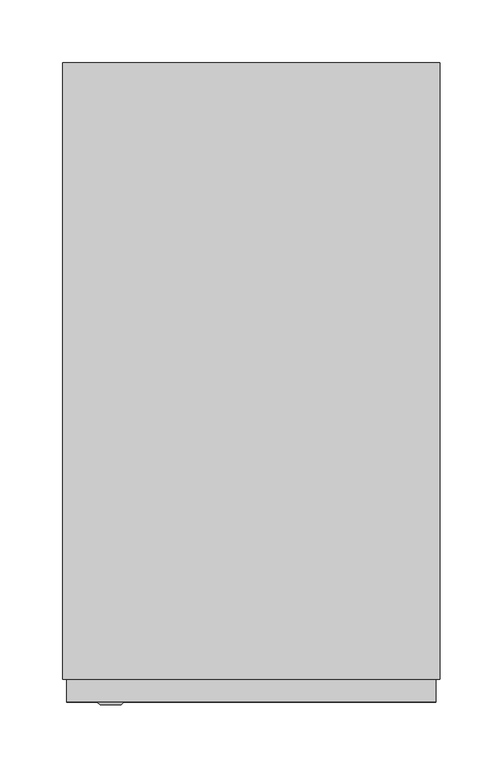
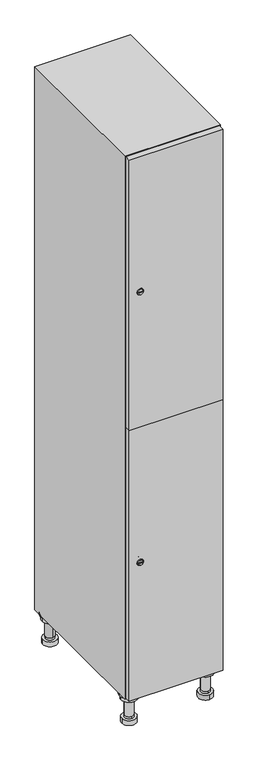
"""IFC4 building model written with IfcOpenShell, lengths in millimetres: furniture geometry."""

from ifc_helpers import new_model, si_unit, point, frame, frame_2d, origin, place, context, project, spatial, polyline, circle_curve, trimmed, segment, composite_curve, outline, extrude, faceted_brep, source, transform, mapped, element, save
from ifc_brep_helpers import plane_surface, cylinder_surface, revolved_surface, advanced_brep


def furniture_a0bca968(model_context):
    return source(origin(), model_context, "Body", "SolidModel", [
        advanced_brep(
        [(70.0, -201.0, 22.0), (70.0, -201.5, 16.0), (70.0, -228.5, 16.0), (70.0, -229.0, 22.0), (56.0, -215.0, 22.0), (84.0, -215.0, 22.0), (70.0, -192.5, 16.0), (70.0, -237.5, 16.0), (70.0, -192.5, 0.0), (70.0, -237.5, 0.0), (84.0, -215.0, 78.0), (56.0, -215.0, 78.0), (95.0, -215.0, 78.0), (45.0, -215.0, 78.0), (100.0, -215.0, 94.0), (40.0, -215.0, 94.0), (45.0, -215.0, 94.0), (95.0, -215.0, 94.0), (100.0, -215.0, 100.0), (40.0, -215.0, 100.0)],
        [
            (0, 1),
            (1, 2, circle_curve(frame((70.0, -215.0, 16.0), z_axis=(0.0, 0.0, 1.0), x_axis=(0.0, -1.0, 0.0)), 13.5)),
            (2, 3),
            (3, 4, circle_curve(frame((70.0, -215.0, 22.0), z_axis=(0.0, 0.0, -1.0), x_axis=(0.0, -1.0, 0.0)), 14.0)),
            (4, 0, circle_curve(frame((70.0, -215.0, 22.0), z_axis=(0.0, 0.0, -1.0), x_axis=(0.0, -1.0, 0.0)), 14.0)),
            (0, 5, circle_curve(frame((70.0, -215.0, 22.0), z_axis=(0.0, 0.0, -1.0), x_axis=(0.0, 1.0, 0.0)), 14.0)),
            (5, 3, circle_curve(frame((70.0, -215.0, 22.0), z_axis=(0.0, 0.0, -1.0), x_axis=(0.0, 1.0, 0.0)), 14.0)),
            (2, 1, circle_curve(frame((70.0, -215.0, 16.0), z_axis=(0.0, 0.0, 1.0), x_axis=(0.0, 1.0, 0.0)), 13.5)),
            (6, 7, circle_curve(frame((70.0, -215.0, 16.0), z_axis=(0.0, 0.0, 1.0), x_axis=(0.0, -1.0, 0.0)), 22.5)),
            (7, 6, circle_curve(frame((70.0, -215.0, 16.0), z_axis=(0.0, 0.0, 1.0), x_axis=(0.0, -1.0, 0.0)), 22.5)),
            (8, 9, circle_curve(frame((70.0, -215.0, 0.0), z_axis=(0.0, 0.0, -1.0), x_axis=(0.0, -1.0, 0.0)), 22.5)),
            (9, 8, circle_curve(frame((70.0, -215.0, 0.0), z_axis=(0.0, 0.0, -1.0), x_axis=(0.0, -1.0, 0.0)), 22.5)),
            (6, 8),
            (9, 7),
            (5, 10),
            (10, 11, circle_curve(frame((70.0, -215.0, 78.0), z_axis=(0.0, 0.0, -1.0), x_axis=(-1.0, 0.0, 0.0)), 14.0)),
            (11, 4),
            (11, 10, circle_curve(frame((70.0, -215.0, 78.0), z_axis=(0.0, 0.0, -1.0), x_axis=(-1.0, 0.0, 0.0)), 14.0)),
            (12, 13, circle_curve(frame((70.0, -215.0, 78.0), z_axis=(0.0, 0.0, -1.0), x_axis=(-1.0, 0.0, 0.0)), 25.0)),
            (13, 12, circle_curve(frame((70.0, -215.0, 78.0), z_axis=(0.0, 0.0, -1.0), x_axis=(-1.0, 0.0, 0.0)), 25.0)),
            (14, 15, circle_curve(frame((70.0, -215.0, 94.0), z_axis=(0.0, 0.0, -1.0), x_axis=(-1.0, 0.0, 0.0)), 30.0)),
            (15, 14, circle_curve(frame((70.0, -215.0, 94.0), z_axis=(0.0, 0.0, -1.0), x_axis=(-1.0, 0.0, 0.0)), 30.0)),
            (16, 17, circle_curve(frame((70.0, -215.0, 94.0), z_axis=(0.0, 0.0, 1.0), x_axis=(-1.0, 0.0, 0.0)), 25.0)),
            (17, 16, circle_curve(frame((70.0, -215.0, 94.0), z_axis=(0.0, 0.0, 1.0), x_axis=(-1.0, 0.0, 0.0)), 25.0)),
            (18, 19, circle_curve(frame((70.0, -215.0, 100.0), z_axis=(0.0, 0.0, 1.0), x_axis=(-1.0, 0.0, 0.0)), 30.0)),
            (19, 18, circle_curve(frame((70.0, -215.0, 100.0), z_axis=(0.0, 0.0, 1.0), x_axis=(-1.0, 0.0, 0.0)), 30.0)),
            (14, 18),
            (19, 15),
            (12, 17),
            (16, 13),
        ],
        [
            revolved_surface(polyline([(70.0, -201.5, 16.0), (70.0, -201.0, 22.0)]), (70.0, -215.0, -146.0), (0.0, 0.0, 1.0)),
            plane_surface(frame((70.0, 0.0, 16.0), z_axis=(0.0, 0.0, 1.0), x_axis=(0.0, -1.0, 0.0))),
            plane_surface(frame((70.0, 0.0, 0.0), z_axis=(0.0, 0.0, -1.0), x_axis=(0.0, -1.0, 0.0))),
            cylinder_surface(frame((70.0, -215.0, 16.0), z_axis=(0.0, 0.0, 1.0), x_axis=(0.0, -1.0, 0.0)), 22.5),
            cylinder_surface(frame((70.0, -215.0, 22.0), z_axis=(0.0, 0.0, -1.0), x_axis=(-1.0, 0.0, 0.0)), 14.0),
            plane_surface(frame((70.0, 0.0, 78.0), z_axis=(0.0, 0.0, -1.0), x_axis=(0.0, -1.0, 0.0))),
            plane_surface(frame((70.0, 0.0, 94.0), z_axis=(0.0, 0.0, -1.0), x_axis=(0.0, -1.0, 0.0))),
            plane_surface(frame((70.0, 0.0, 100.0), z_axis=(0.0, 0.0, 1.0), x_axis=(0.0, -1.0, 0.0))),
            cylinder_surface(frame((70.0, -215.0, 94.0), z_axis=(0.0, 0.0, -1.0), x_axis=(-1.0, 0.0, 0.0)), 30.0),
            cylinder_surface(frame((70.0, -215.0, 78.0), z_axis=(0.0, 0.0, -1.0), x_axis=(-1.0, 0.0, 0.0)), 25.0),
        ],
        [
            (0, [[1, 2, 3, 4, 5]]),
            (0, [[-1, 6, 7, -3, 8]]),
            (1, [[9, 10], [-2, -8]]),
            (2, [[11, 12]]),
            (3, [[-9, 13, -12, 14]]),
            (3, [[-10, -14, -11, -13]]),
            (4, [[15, 16, 17, -4, -7]]),
            (4, [[-15, -6, -5, -17, 18]]),
            (5, [[19, 20], [-16, -18]]),
            (6, [[21, 22], [23, 24]]),
            (7, [[25, 26]]),
            (8, [[-21, 27, -26, 28]]),
            (8, [[-22, -28, -25, -27]]),
            (9, [[-19, 29, -23, 30]]),
            (9, [[-20, -30, -24, -29]]),
        ],
    ),
        advanced_brep(
        [(-170.0, -201.0, 22.0), (-170.0, -201.5, 16.0), (-170.0, -228.5, 16.0), (-170.0, -229.0, 22.0), (-184.0, -215.0, 22.0), (-156.0, -215.0, 22.0), (-147.5, -215.0, 0.0), (-192.5, -215.0, 0.0), (-147.5, -215.0, 16.0), (-192.5, -215.0, 16.0), (-156.0, -215.0, 78.0), (-184.0, -215.0, 78.0), (-145.0, -215.0, 78.0), (-195.0, -215.0, 78.0), (-140.0, -215.0, 94.0), (-200.0, -215.0, 94.0), (-195.0, -215.0, 94.0), (-145.0, -215.0, 94.0), (-140.0, -215.0, 100.0), (-200.0, -215.0, 100.0)],
        [
            (0, 1),
            (1, 2, circle_curve(frame((-170.0, -215.0, 16.0), z_axis=(0.0, 0.0, 1.0), x_axis=(0.0, -1.0, 0.0)), 13.5)),
            (2, 3),
            (3, 4, circle_curve(frame((-170.0, -215.0, 22.0), z_axis=(0.0, 0.0, -1.0), x_axis=(0.0, -1.0, 0.0)), 14.0)),
            (4, 0, circle_curve(frame((-170.0, -215.0, 22.0), z_axis=(0.0, 0.0, -1.0), x_axis=(0.0, -1.0, 0.0)), 14.0)),
            (0, 5, circle_curve(frame((-170.0, -215.0, 22.0), z_axis=(0.0, 0.0, -1.0), x_axis=(0.0, 1.0, 0.0)), 14.0)),
            (5, 3, circle_curve(frame((-170.0, -215.0, 22.0), z_axis=(0.0, 0.0, -1.0), x_axis=(0.0, 1.0, 0.0)), 14.0)),
            (2, 1, circle_curve(frame((-170.0, -215.0, 16.0), z_axis=(0.0, 0.0, 1.0), x_axis=(0.0, 1.0, 0.0)), 13.5)),
            (6, 7, circle_curve(frame((-170.0, -215.0, 0.0), z_axis=(0.0, 0.0, -1.0), x_axis=(-1.0, 0.0, 0.0)), 22.5)),
            (7, 6, circle_curve(frame((-170.0, -215.0, 0.0), z_axis=(0.0, 0.0, -1.0), x_axis=(-1.0, 0.0, 0.0)), 22.5)),
            (8, 9, circle_curve(frame((-170.0, -215.0, 16.0), z_axis=(0.0, 0.0, 1.0), x_axis=(-1.0, 0.0, 0.0)), 22.5)),
            (9, 8, circle_curve(frame((-170.0, -215.0, 16.0), z_axis=(0.0, 0.0, 1.0), x_axis=(-1.0, 0.0, 0.0)), 22.5)),
            (6, 8),
            (9, 7),
            (5, 10),
            (10, 11, circle_curve(frame((-170.0, -215.0, 78.0), z_axis=(0.0, 0.0, -1.0), x_axis=(-1.0, 0.0, 0.0)), 14.0)),
            (11, 4),
            (11, 10, circle_curve(frame((-170.0, -215.0, 78.0), z_axis=(0.0, 0.0, -1.0), x_axis=(-1.0, 0.0, 0.0)), 14.0)),
            (12, 13, circle_curve(frame((-170.0, -215.0, 78.0), z_axis=(0.0, 0.0, -1.0), x_axis=(-1.0, 0.0, 0.0)), 25.0)),
            (13, 12, circle_curve(frame((-170.0, -215.0, 78.0), z_axis=(0.0, 0.0, -1.0), x_axis=(-1.0, 0.0, 0.0)), 25.0)),
            (14, 15, circle_curve(frame((-170.0, -215.0, 94.0), z_axis=(0.0, 0.0, -1.0), x_axis=(-1.0, 0.0, 0.0)), 30.0)),
            (15, 14, circle_curve(frame((-170.0, -215.0, 94.0), z_axis=(0.0, 0.0, -1.0), x_axis=(-1.0, 0.0, 0.0)), 30.0)),
            (16, 17, circle_curve(frame((-170.0, -215.0, 94.0), z_axis=(0.0, 0.0, 1.0), x_axis=(-1.0, 0.0, 0.0)), 25.0)),
            (17, 16, circle_curve(frame((-170.0, -215.0, 94.0), z_axis=(0.0, 0.0, 1.0), x_axis=(-1.0, 0.0, 0.0)), 25.0)),
            (18, 19, circle_curve(frame((-170.0, -215.0, 100.0), z_axis=(0.0, 0.0, 1.0), x_axis=(-1.0, 0.0, 0.0)), 30.0)),
            (19, 18, circle_curve(frame((-170.0, -215.0, 100.0), z_axis=(0.0, 0.0, 1.0), x_axis=(-1.0, 0.0, 0.0)), 30.0)),
            (14, 18),
            (19, 15),
            (12, 17),
            (16, 13),
        ],
        [
            revolved_surface(polyline([(-170.0, -201.5, 16.0), (-170.0, -201.0, 22.0)]), (-170.0, -215.0, -146.0), (0.0, 0.0, 1.0)),
            plane_surface(frame((-170.0, 0.0, 0.0), z_axis=(0.0, 0.0, -1.0), x_axis=(0.0, -1.0, 0.0))),
            plane_surface(frame((-170.0, 0.0, 16.0), z_axis=(0.0, 0.0, 1.0), x_axis=(0.0, -1.0, 0.0))),
            cylinder_surface(frame((-170.0, -215.0, 0.0), z_axis=(0.0, 0.0, -1.0), x_axis=(-1.0, 0.0, 0.0)), 22.5),
            cylinder_surface(frame((-170.0, -215.0, 22.0), z_axis=(0.0, 0.0, -1.0), x_axis=(-1.0, 0.0, 0.0)), 14.0),
            plane_surface(frame((-170.0, 0.0, 78.0), z_axis=(0.0, 0.0, -1.0), x_axis=(0.0, -1.0, 0.0))),
            plane_surface(frame((-170.0, 0.0, 94.0), z_axis=(0.0, 0.0, -1.0), x_axis=(0.0, -1.0, 0.0))),
            plane_surface(frame((-170.0, 0.0, 100.0), z_axis=(0.0, 0.0, 1.0), x_axis=(0.0, -1.0, 0.0))),
            cylinder_surface(frame((-170.0, -215.0, 94.0), z_axis=(0.0, 0.0, -1.0), x_axis=(-1.0, 0.0, 0.0)), 30.0),
            cylinder_surface(frame((-170.0, -215.0, 78.0), z_axis=(0.0, 0.0, -1.0), x_axis=(-1.0, 0.0, 0.0)), 25.0),
        ],
        [
            (0, [[1, 2, 3, 4, 5]]),
            (0, [[-1, 6, 7, -3, 8]]),
            (1, [[9, 10]]),
            (2, [[11, 12], [-2, -8]]),
            (3, [[-9, 13, -12, 14]]),
            (3, [[-10, -14, -11, -13]]),
            (4, [[15, 16, 17, -4, -7]]),
            (4, [[-15, -6, -5, -17, 18]]),
            (5, [[19, 20], [-16, -18]]),
            (6, [[21, 22], [23, 24]]),
            (7, [[25, 26]]),
            (8, [[-21, 27, -26, 28]]),
            (8, [[-22, -28, -25, -27]]),
            (9, [[-19, 29, -23, 30]]),
            (9, [[-20, -30, -24, -29]]),
        ],
    ),
        advanced_brep(
        [(83.5, 215.0, 16.0), (84.0, 215.0, 22.0), (56.0, 215.0, 22.0), (56.5, 215.0, 16.0), (92.5, 215.0, 0.0), (47.5, 215.0, 0.0), (92.5, 215.0, 16.0), (47.5, 215.0, 16.0), (84.0, 215.0, 78.0), (56.0, 215.0, 78.0), (95.0, 215.0, 78.0), (45.0, 215.0, 78.0), (100.0, 215.0, 94.0), (40.0, 215.0, 94.0), (45.0, 215.0, 94.0), (95.0, 215.0, 94.0), (100.0, 215.0, 100.0), (40.0, 215.0, 100.0)],
        [
            (0, 1),
            (1, 2, circle_curve(frame((70.0, 215.0, 22.0), z_axis=(0.0, 0.0, -1.0), x_axis=(-1.0, 0.0, 0.0)), 14.0)),
            (2, 3),
            (3, 0, circle_curve(frame((70.0, 215.0, 16.0), z_axis=(0.0, 0.0, 1.0), x_axis=(-1.0, 0.0, 0.0)), 13.5)),
            (0, 3, circle_curve(frame((70.0, 215.0, 16.0), z_axis=(0.0, 0.0, 1.0), x_axis=(1.0, 0.0, 0.0)), 13.5)),
            (2, 1, circle_curve(frame((70.0, 215.0, 22.0), z_axis=(0.0, 0.0, -1.0), x_axis=(1.0, 0.0, 0.0)), 14.0)),
            (4, 5, circle_curve(frame((70.0, 215.0, 0.0), z_axis=(0.0, 0.0, -1.0), x_axis=(-1.0, 0.0, 0.0)), 22.5)),
            (5, 4, circle_curve(frame((70.0, 215.0, 0.0), z_axis=(0.0, 0.0, -1.0), x_axis=(-1.0, 0.0, 0.0)), 22.5)),
            (6, 7, circle_curve(frame((70.0, 215.0, 16.0), z_axis=(0.0, 0.0, 1.0), x_axis=(-1.0, 0.0, 0.0)), 22.5)),
            (7, 6, circle_curve(frame((70.0, 215.0, 16.0), z_axis=(0.0, 0.0, 1.0), x_axis=(-1.0, 0.0, 0.0)), 22.5)),
            (4, 6),
            (7, 5),
            (1, 8),
            (8, 9, circle_curve(frame((70.0, 215.0, 78.0), z_axis=(0.0, 0.0, -1.0), x_axis=(-1.0, 0.0, 0.0)), 14.0)),
            (9, 2),
            (9, 8, circle_curve(frame((70.0, 215.0, 78.0), z_axis=(0.0, 0.0, -1.0), x_axis=(-1.0, 0.0, 0.0)), 14.0)),
            (10, 11, circle_curve(frame((70.0, 215.0, 78.0), z_axis=(0.0, 0.0, -1.0), x_axis=(-1.0, 0.0, 0.0)), 25.0)),
            (11, 10, circle_curve(frame((70.0, 215.0, 78.0), z_axis=(0.0, 0.0, -1.0), x_axis=(-1.0, 0.0, 0.0)), 25.0)),
            (12, 13, circle_curve(frame((70.0, 215.0, 94.0), z_axis=(0.0, 0.0, -1.0), x_axis=(-1.0, 0.0, 0.0)), 30.0)),
            (13, 12, circle_curve(frame((70.0, 215.0, 94.0), z_axis=(0.0, 0.0, -1.0), x_axis=(-1.0, 0.0, 0.0)), 30.0)),
            (14, 15, circle_curve(frame((70.0, 215.0, 94.0), z_axis=(0.0, 0.0, 1.0), x_axis=(-1.0, 0.0, 0.0)), 25.0)),
            (15, 14, circle_curve(frame((70.0, 215.0, 94.0), z_axis=(0.0, 0.0, 1.0), x_axis=(-1.0, 0.0, 0.0)), 25.0)),
            (16, 17, circle_curve(frame((70.0, 215.0, 100.0), z_axis=(0.0, 0.0, 1.0), x_axis=(-1.0, 0.0, 0.0)), 30.0)),
            (17, 16, circle_curve(frame((70.0, 215.0, 100.0), z_axis=(0.0, 0.0, 1.0), x_axis=(-1.0, 0.0, 0.0)), 30.0)),
            (12, 16),
            (17, 13),
            (10, 15),
            (14, 11),
        ],
        [
            revolved_surface(polyline([(83.5, 215.0, 16.0), (84.0, 215.0, 22.0)]), (70.0, 215.0, -146.0), (0.0, 0.0, 1.0)),
            plane_surface(frame((70.0, 0.0, 0.0), z_axis=(0.0, 0.0, -1.0), x_axis=(0.0, -1.0, 0.0))),
            plane_surface(frame((70.0, 0.0, 16.0), z_axis=(0.0, 0.0, 1.0), x_axis=(0.0, -1.0, 0.0))),
            cylinder_surface(frame((70.0, 215.0, 0.0), z_axis=(0.0, 0.0, -1.0), x_axis=(-1.0, 0.0, 0.0)), 22.5),
            cylinder_surface(frame((70.0, 215.0, 22.0), z_axis=(0.0, 0.0, -1.0), x_axis=(-1.0, 0.0, 0.0)), 14.0),
            plane_surface(frame((70.0, 0.0, 78.0), z_axis=(0.0, 0.0, -1.0), x_axis=(0.0, -1.0, 0.0))),
            plane_surface(frame((70.0, 0.0, 94.0), z_axis=(0.0, 0.0, -1.0), x_axis=(0.0, -1.0, 0.0))),
            plane_surface(frame((70.0, 0.0, 100.0), z_axis=(0.0, 0.0, 1.0), x_axis=(0.0, -1.0, 0.0))),
            cylinder_surface(frame((70.0, 215.0, 94.0), z_axis=(0.0, 0.0, -1.0), x_axis=(-1.0, 0.0, 0.0)), 30.0),
            cylinder_surface(frame((70.0, 215.0, 78.0), z_axis=(0.0, 0.0, -1.0), x_axis=(-1.0, 0.0, 0.0)), 25.0),
        ],
        [
            (0, [[1, 2, 3, 4]]),
            (0, [[-1, 5, -3, 6]]),
            (1, [[7, 8]]),
            (2, [[9, 10], [-4, -5]]),
            (3, [[-7, 11, -10, 12]]),
            (3, [[-8, -12, -9, -11]]),
            (4, [[13, 14, 15, -2]]),
            (4, [[-13, -6, -15, 16]]),
            (5, [[17, 18], [-14, -16]]),
            (6, [[19, 20], [21, 22]]),
            (7, [[23, 24]]),
            (8, [[-19, 25, -24, 26]]),
            (8, [[-20, -26, -23, -25]]),
            (9, [[-17, 27, -21, 28]]),
            (9, [[-18, -28, -22, -27]]),
        ],
    ),
        advanced_brep(
        [(-156.5, 215.0, 16.0), (-156.0, 215.0, 22.0), (-170.0, 201.0, 22.0), (-184.0, 215.0, 22.0), (-183.5, 215.0, 16.0), (-170.0, 229.0, 22.0), (-147.5, 215.0, 0.0), (-192.5, 215.0, 0.0), (-147.5, 215.0, 16.0), (-192.5, 215.0, 16.0), (-170.0, 229.0, 78.0), (-170.0, 201.0, 78.0), (-145.0, 215.0, 78.0), (-195.0, 215.0, 78.0), (-140.0, 215.0, 94.0), (-200.0, 215.0, 94.0), (-195.0, 215.0, 94.0), (-145.0, 215.0, 94.0), (-140.0, 215.0, 100.0), (-200.0, 215.0, 100.0)],
        [
            (0, 1),
            (1, 2, circle_curve(frame((-170.0, 215.0, 22.0), z_axis=(0.0, 0.0, -1.0), x_axis=(-1.0, 0.0, 0.0)), 14.0)),
            (2, 3, circle_curve(frame((-170.0, 215.0, 22.0), z_axis=(0.0, 0.0, -1.0), x_axis=(-1.0, 0.0, 0.0)), 14.0)),
            (3, 4),
            (4, 0, circle_curve(frame((-170.0, 215.0, 16.0), z_axis=(0.0, 0.0, 1.0), x_axis=(-1.0, 0.0, 0.0)), 13.5)),
            (0, 4, circle_curve(frame((-170.0, 215.0, 16.0), z_axis=(0.0, 0.0, 1.0), x_axis=(1.0, 0.0, 0.0)), 13.5)),
            (3, 5, circle_curve(frame((-170.0, 215.0, 22.0), z_axis=(0.0, 0.0, -1.0), x_axis=(1.0, 0.0, 0.0)), 14.0)),
            (5, 1, circle_curve(frame((-170.0, 215.0, 22.0), z_axis=(0.0, 0.0, -1.0), x_axis=(1.0, 0.0, 0.0)), 14.0)),
            (6, 7, circle_curve(frame((-170.0, 215.0, 0.0), z_axis=(0.0, 0.0, -1.0), x_axis=(-1.0, 0.0, 0.0)), 22.5)),
            (7, 6, circle_curve(frame((-170.0, 215.0, 0.0), z_axis=(0.0, 0.0, -1.0), x_axis=(-1.0, 0.0, 0.0)), 22.5)),
            (8, 9, circle_curve(frame((-170.0, 215.0, 16.0), z_axis=(0.0, 0.0, 1.0), x_axis=(-1.0, 0.0, 0.0)), 22.5)),
            (9, 8, circle_curve(frame((-170.0, 215.0, 16.0), z_axis=(0.0, 0.0, 1.0), x_axis=(-1.0, 0.0, 0.0)), 22.5)),
            (6, 8),
            (9, 7),
            (10, 5),
            (2, 11),
            (11, 10, circle_curve(frame((-170.0, 215.0, 78.0), z_axis=(0.0, 0.0, -1.0), x_axis=(0.0, -1.0, 0.0)), 14.0)),
            (10, 11, circle_curve(frame((-170.0, 215.0, 78.0), z_axis=(0.0, 0.0, -1.0), x_axis=(0.0, -1.0, 0.0)), 14.0)),
            (12, 13, circle_curve(frame((-170.0, 215.0, 78.0), z_axis=(0.0, 0.0, -1.0), x_axis=(-1.0, 0.0, 0.0)), 25.0)),
            (13, 12, circle_curve(frame((-170.0, 215.0, 78.0), z_axis=(0.0, 0.0, -1.0), x_axis=(-1.0, 0.0, 0.0)), 25.0)),
            (14, 15, circle_curve(frame((-170.0, 215.0, 94.0), z_axis=(0.0, 0.0, -1.0), x_axis=(-1.0, 0.0, 0.0)), 30.0)),
            (15, 14, circle_curve(frame((-170.0, 215.0, 94.0), z_axis=(0.0, 0.0, -1.0), x_axis=(-1.0, 0.0, 0.0)), 30.0)),
            (16, 17, circle_curve(frame((-170.0, 215.0, 94.0), z_axis=(0.0, 0.0, 1.0), x_axis=(-1.0, 0.0, 0.0)), 25.0)),
            (17, 16, circle_curve(frame((-170.0, 215.0, 94.0), z_axis=(0.0, 0.0, 1.0), x_axis=(-1.0, 0.0, 0.0)), 25.0)),
            (18, 19, circle_curve(frame((-170.0, 215.0, 100.0), z_axis=(0.0, 0.0, 1.0), x_axis=(-1.0, 0.0, 0.0)), 30.0)),
            (19, 18, circle_curve(frame((-170.0, 215.0, 100.0), z_axis=(0.0, 0.0, 1.0), x_axis=(-1.0, 0.0, 0.0)), 30.0)),
            (14, 18),
            (19, 15),
            (12, 17),
            (16, 13),
        ],
        [
            revolved_surface(polyline([(-156.5, 215.0, 16.0), (-156.0, 215.0, 22.0)]), (-170.0, 215.0, -146.0), (0.0, 0.0, 1.0)),
            plane_surface(frame((-170.0, 0.0, 0.0), z_axis=(0.0, 0.0, -1.0), x_axis=(0.0, -1.0, 0.0))),
            plane_surface(frame((-170.0, 0.0, 16.0), z_axis=(0.0, 0.0, 1.0), x_axis=(0.0, -1.0, 0.0))),
            cylinder_surface(frame((-170.0, 215.0, 0.0), z_axis=(0.0, 0.0, -1.0), x_axis=(-1.0, 0.0, 0.0)), 22.5),
            cylinder_surface(frame((-170.0, 215.0, 78.0), z_axis=(0.0, 0.0, 1.0), x_axis=(0.0, -1.0, 0.0)), 14.0),
            plane_surface(frame((-170.0, 0.0, 78.0), z_axis=(0.0, 0.0, -1.0), x_axis=(0.0, -1.0, 0.0))),
            plane_surface(frame((-170.0, 0.0, 94.0), z_axis=(0.0, 0.0, -1.0), x_axis=(0.0, -1.0, 0.0))),
            plane_surface(frame((-170.0, 0.0, 100.0), z_axis=(0.0, 0.0, 1.0), x_axis=(0.0, -1.0, 0.0))),
            cylinder_surface(frame((-170.0, 215.0, 94.0), z_axis=(0.0, 0.0, -1.0), x_axis=(-1.0, 0.0, 0.0)), 30.0),
            cylinder_surface(frame((-170.0, 215.0, 78.0), z_axis=(0.0, 0.0, -1.0), x_axis=(-1.0, 0.0, 0.0)), 25.0),
        ],
        [
            (0, [[1, 2, 3, 4, 5]]),
            (0, [[-1, 6, -4, 7, 8]]),
            (1, [[9, 10]]),
            (2, [[11, 12], [-5, -6]]),
            (3, [[-9, 13, -12, 14]]),
            (3, [[-10, -14, -11, -13]]),
            (4, [[15, -7, -3, 16, 17]]),
            (4, [[-15, 18, -16, -2, -8]]),
            (5, [[19, 20], [-17, -18]]),
            (6, [[21, 22], [23, 24]]),
            (7, [[25, 26]]),
            (8, [[-21, 27, -26, 28]]),
            (8, [[-22, -28, -25, -27]]),
            (9, [[-19, 29, -23, 30]]),
            (9, [[-20, -30, -24, -29]]),
        ],
    ),
        extrude(outline(composite_curve([segment(trimmed(circle_curve(frame_2d((551.5, -188.7989466)), 7.0), [point((558.5, -188.7989466))], [point((544.5, -188.7989466))], False, "CARTESIAN"), True, "CONTINUOUS"), segment(polyline([(544.5, -188.7989466), (544.5, -160.7989466)]), True, "CONTINUOUS"), segment(trimmed(circle_curve(frame_2d((551.5, -160.7989466)), 7.0), [point((544.5, -160.7989466))], [point((558.5, -160.7989466))], False, "CARTESIAN"), True, "CONTINUOUS"), segment(polyline([(558.5, -160.7989466), (558.5, -188.7989466)]), True, "CONTINUOUS")], self_intersect=False)), frame((0.0, -245.0, 0.0), z_axis=(0.0, 1.0, 0.0), x_axis=(0.0, 0.0, 1.0)), (0.0, 0.0, 1.0), 2.0),
        advanced_brep(
        [(-153.5, -265.2, 551.5), (-170.5, -265.2, 551.5), (-167.0, -265.2, 550.25), (-167.0, -265.2, 552.75), (-157.0, -265.2, 552.75), (-157.0, -265.2, 550.25), (-151.5, -263.0, 551.5), (-172.5, -263.0, 551.5), (-167.0, -263.0, 552.75), (-167.0, -263.0, 550.25), (-157.0, -263.0, 550.25), (-157.0, -263.0, 552.75)],
        [
            (0, 1, circle_curve(frame((-162.0, -265.2, 551.5), z_axis=(0.0, -1.0, 0.0), x_axis=(1.0, 0.0, 0.0)), 8.5)),
            (1, 0, circle_curve(frame((-162.0, -265.2, 551.5), z_axis=(0.0, -1.0, 0.0), x_axis=(-1.0, 0.0, 0.0)), 8.5)),
            (2, 3),
            (3, 4),
            (4, 5),
            (5, 2),
            (6, 7, circle_curve(frame((-162.0, -263.0, 551.5), z_axis=(0.0, 1.0, 0.0), x_axis=(-1.0, 0.0, 0.0)), 10.5)),
            (7, 6, circle_curve(frame((-162.0, -263.0, 551.5), z_axis=(0.0, 1.0, 0.0), x_axis=(1.0, 0.0, 0.0)), 10.5)),
            (8, 9),
            (9, 10),
            (10, 11),
            (11, 8),
            (0, 6),
            (7, 1),
            (8, 3),
            (2, 9),
            (11, 4),
            (10, 5),
        ],
        [
            plane_surface(frame((-162.0, -265.2, 551.5), z_axis=(0.0, -1.0, 0.0), x_axis=(0.0, 0.0, 1.0))),
            plane_surface(frame((-162.0, -263.0, 551.5), z_axis=(0.0, 1.0, 0.0), x_axis=(0.0, 0.0, 1.0))),
            revolved_surface(polyline([(-153.5, -265.2, 551.5), (-151.5, -263.0, 551.5)]), (-162.0, -274.55, 551.5), (0.0, 1.0, 0.0)),
            revolved_surface(polyline([(-170.5, -265.2, 551.5), (-172.5, -263.0, 551.5)]), (-162.0, -274.55, 551.5), (0.0, 1.0, 0.0)),
            plane_surface(frame((-167.0, -263.0, 550.25), z_axis=(1.0, 0.0, 0.0), x_axis=(0.0, -1.0, 0.0))),
            plane_surface(frame((-167.0, -263.0, 552.75), z_axis=(0.0, 0.0, -1.0), x_axis=(0.0, -1.0, 0.0))),
            plane_surface(frame((-157.0, -263.0, 552.75), z_axis=(-1.0, 0.0, 0.0), x_axis=(0.0, -1.0, 0.0))),
            plane_surface(frame((-157.0, -263.0, 550.25), z_axis=(0.0, 0.0, 1.0), x_axis=(0.0, -1.0, 0.0))),
        ],
        [
            (0, [[1, 2], [3, 4, 5, 6]]),
            (1, [[7, 8], [9, 10, 11, 12]]),
            (2, [[-1, 13, -8, 14]]),
            (3, [[-2, -14, -7, -13]]),
            (4, [[15, -3, 16, -9]]),
            (5, [[-15, -12, 17, -4]]),
            (6, [[-17, -11, 18, -5]]),
            (7, [[-16, -6, -18, -10]]),
        ],
    ),
        extrude(outline(composite_curve([segment(trimmed(circle_curve(frame_2d((1448.5, -188.7989466)), 7.0), [point((1455.5, -188.7989466))], [point((1441.5, -188.7989466))], False, "CARTESIAN"), True, "CONTINUOUS"), segment(polyline([(1441.5, -188.7989466), (1441.5, -160.7989466)]), True, "CONTINUOUS"), segment(trimmed(circle_curve(frame_2d((1448.5, -160.7989466)), 7.0), [point((1441.5, -160.7989466))], [point((1455.5, -160.7989466))], False, "CARTESIAN"), True, "CONTINUOUS"), segment(polyline([(1455.5, -160.7989466), (1455.5, -188.7989466)]), True, "CONTINUOUS")], self_intersect=False)), frame((0.0, -245.0, 0.0), z_axis=(0.0, 1.0, 0.0), x_axis=(0.0, 0.0, 1.0)), (0.0, 0.0, 1.0), 2.0),
        advanced_brep(
        [(-153.5, -265.2, 1448.5), (-170.5, -265.2, 1448.5), (-167.0, -265.2, 1447.25), (-167.0, -265.2, 1449.75), (-157.0, -265.2, 1449.75), (-157.0, -265.2, 1447.25), (-151.5, -263.0, 1448.5), (-172.5, -263.0, 1448.5), (-167.0, -263.0, 1449.75), (-167.0, -263.0, 1447.25), (-157.0, -263.0, 1447.25), (-157.0, -263.0, 1449.75)],
        [
            (0, 1, circle_curve(frame((-162.0, -265.2, 1448.5), z_axis=(0.0, -1.0, 0.0), x_axis=(1.0, 0.0, 0.0)), 8.5)),
            (1, 0, circle_curve(frame((-162.0, -265.2, 1448.5), z_axis=(0.0, -1.0, 0.0), x_axis=(-1.0, 0.0, 0.0)), 8.5)),
            (2, 3),
            (3, 4),
            (4, 5),
            (5, 2),
            (6, 7, circle_curve(frame((-162.0, -263.0, 1448.5), z_axis=(0.0, 1.0, 0.0), x_axis=(-1.0, 0.0, 0.0)), 10.5)),
            (7, 6, circle_curve(frame((-162.0, -263.0, 1448.5), z_axis=(0.0, 1.0, 0.0), x_axis=(1.0, 0.0, 0.0)), 10.5)),
            (8, 9),
            (9, 10),
            (10, 11),
            (11, 8),
            (0, 6),
            (7, 1),
            (8, 3),
            (2, 9),
            (11, 4),
            (10, 5),
        ],
        [
            plane_surface(frame((-162.0, -265.2, 1448.5), z_axis=(0.0, -1.0, 0.0), x_axis=(0.0, 0.0, 1.0))),
            plane_surface(frame((-162.0, -263.0, 1448.5), z_axis=(0.0, 1.0, 0.0), x_axis=(0.0, 0.0, 1.0))),
            revolved_surface(polyline([(-153.5, -265.2, 1448.5), (-151.5, -263.0, 1448.5)]), (-162.0, -274.55, 1448.5), (0.0, 1.0, 0.0)),
            revolved_surface(polyline([(-170.5, -265.2, 1448.5), (-172.5, -263.0, 1448.5)]), (-162.0, -274.55, 1448.5), (0.0, 1.0, 0.0)),
            plane_surface(frame((-167.0, -263.0, 1447.25), z_axis=(1.0, 0.0, 0.0), x_axis=(0.0, -1.0, 0.0))),
            plane_surface(frame((-167.0, -263.0, 1449.75), z_axis=(0.0, 0.0, -1.0), x_axis=(0.0, -1.0, 0.0))),
            plane_surface(frame((-157.0, -263.0, 1449.75), z_axis=(-1.0, 0.0, 0.0), x_axis=(0.0, -1.0, 0.0))),
            plane_surface(frame((-157.0, -263.0, 1447.25), z_axis=(0.0, 0.0, 1.0), x_axis=(0.0, -1.0, 0.0))),
        ],
        [
            (0, [[1, 2], [3, 4, 5, 6]]),
            (1, [[7, 8], [9, 10, 11, 12]]),
            (2, [[-1, 13, -8, 14]]),
            (3, [[-2, -14, -7, -13]]),
            (4, [[15, -3, 16, -9]]),
            (5, [[-15, -12, 17, -4]]),
            (6, [[-17, -11, 18, -5]]),
            (7, [[-16, -6, -18, -10]]),
        ],
    ),
        extrude(outline(polyline([(-197.0, -263.0), (-197.0, -245.0), (97.0, -245.0), (97.0, -263.0), (-197.0, -263.0)])), frame((0.0, 0.0, 103.0), z_axis=(0.0, 0.0, 1.0), x_axis=(1.0, 0.0, 0.0)), (0.0, 0.0, 1.0), 896.5),
        extrude(outline(polyline([(97.0, -245.0), (97.0, -263.0), (-197.0, -263.0), (-197.0, -245.0), (97.0, -245.0)])), frame((0.0, 0.0, 1000.5), z_axis=(0.0, 0.0, 1.0), x_axis=(1.0, 0.0, 0.0)), (0.0, 0.0, 1.0), 896.5),
        extrude(outline(polyline([(82.0, 227.0), (82.0, -227.0), (-182.0, -227.0), (-182.0, 227.0), (82.0, 227.0)])), frame((0.0, 0.0, 991.0), z_axis=(0.0, 0.0, 1.0), x_axis=(1.0, 0.0, 0.0)), (0.0, 0.0, 1.0), 18.0),
        faceted_brep([(100.0, -245.0, 100.0), (100.0, -245.0, 1900.0), (-200.0, -245.0, 1900.0), (-200.0, -245.0, 100.0), (82.0, -245.0, 1882.0), (82.0, -245.0, 118.0), (-182.0, -245.0, 118.0), (-182.0, -245.0, 1882.0), (100.0, 245.0, 100.0), (-200.0, 245.0, 100.0), (100.0, 245.0, 1900.0), (-200.0, 245.0, 1900.0), (82.0, 227.0, 1882.0), (82.0, 227.0, 118.0), (-200.0, 245.0, 1882.0), (-182.0, 227.0, 1882.0), (-182.0, 227.0, 118.0)], [[[0, 1, 2, 3], [4, 5, 6, 7]], [[8, 0, 3, 9]], [[1, 0, 8, 10]], [[1, 10, 11, 2]], [[4, 12, 13, 5]], [[9, 3, 2, 11, 14]], [[10, 8, 9, 14, 11]], [[12, 15, 16, 13]], [[15, 7, 6, 16]], [[4, 7, 15, 12]], [[6, 5, 13, 16]]]),
    ])


if __name__ == "__main__":
    model = new_model("IFC4")
    model_context = context("Model", 3, world=origin())
    ifc_project = project(units=[si_unit("LENGTHUNIT", "METRE", prefix="MILLI")], contexts=[model_context])
    site = spatial("IfcSite", under=ifc_project)
    building = spatial("IfcBuilding", under=site)
    placement = place(None, origin())
    furniture_shape = furniture_a0bca968(model_context)
    element("IfcFurniture", 1, at=placement, inside=building, context=model_context, shape_type="MappedRepresentation", body=[
        mapped(furniture_shape, transform((0.0, 0.0, 0.0), x_axis=(1.0, 0.0, 0.0), y_axis=(0.0, 1.0, 0.0), z_axis=(0.0, 0.0, 1.0))),
    ])
    save(model, "model.ifc")
